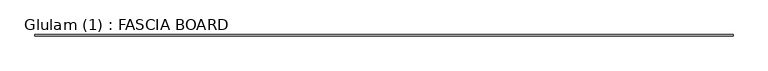
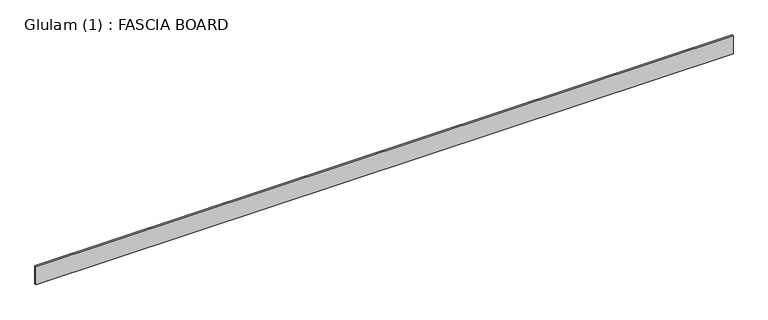
"""IFC4 building model written with IfcOpenShell, lengths in millimetres: beam geometry, Glulam (1) : FASCIA BOARD."""

from ifc_helpers import new_model, si_unit, frame, origin, place, context, project, spatial, polyline, outline, extrude, source, transform, mapped, element, save


def glulam_1_fascia_board_ea74a755(model_context):
    return source(origin(), model_context, "Body", "SweptSolid", [
        extrude(outline(polyline([(5840.5, 12.5), (5840.5, -12.5), (-5840.5000006, -12.5), (-5840.5000006, 12.5), (5840.5, 12.5)])), frame((0.0, 0.0, -160.8), z_axis=(0.0, 0.0, 1.0), x_axis=(1.0, 0.0, 0.0)), (0.0, 0.0, 1.0), 321.6),
    ])


if __name__ == "__main__":
    model = new_model("IFC4")
    model_context = context("Model", 3, world=origin())
    ifc_project = project(units=[si_unit("LENGTHUNIT", "METRE", prefix="MILLI")], contexts=[model_context])
    site = spatial("IfcSite", under=ifc_project)
    building = spatial("IfcBuilding", under=site)
    placement = place(None, origin())
    glulam_1_fascia_board_shape = glulam_1_fascia_board_ea74a755(model_context)
    element("IfcBeam", 1, ObjectType="Glulam (1) : FASCIA BOARD", at=placement, inside=building, context=model_context, shape_type="MappedRepresentation", body=[
        mapped(glulam_1_fascia_board_shape, transform((0.0, 0.0, 0.0), x_axis=(1.0, 0.0, 0.0), y_axis=(0.0, 1.0, 0.0), z_axis=(0.0, 0.0, 1.0))),
    ])
    save(model, "model.ifc")
